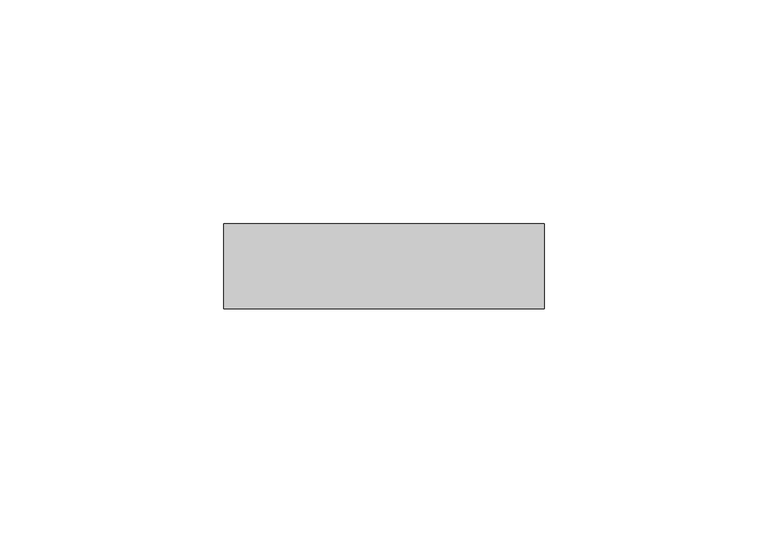
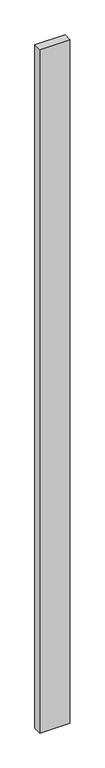
"""IFC4 building model written with IfcOpenShell, lengths in millimetres: plate geometry."""

from ifc_helpers import new_model, si_unit, origin, origin_with_axes, place, context, project, spatial, polyline, outline, extrude, source, transform, mapped, element, save


def plate_48862b0b(model_context):
    return source(origin(), model_context, "Body", "SweptSolid", [
        extrude(outline(polyline([(35.8840206, -9.525), (-35.8840206, -9.525), (-35.8840206, 9.525), (35.8840206, 9.525), (35.8840206, -9.525)])), origin_with_axes(), (0.0, 0.0, 1.0), 1708.8912252),
    ])


if __name__ == "__main__":
    model = new_model("IFC4")
    model_context = context("Model", 3, world=origin())
    ifc_project = project(units=[si_unit("LENGTHUNIT", "METRE", prefix="MILLI")], contexts=[model_context])
    site = spatial("IfcSite", under=ifc_project)
    building = spatial("IfcBuilding", under=site)
    placement = place(None, origin())
    plate_shape = plate_48862b0b(model_context)
    element("IfcPlate", 1, at=placement, inside=building, context=model_context, shape_type="MappedRepresentation", body=[
        mapped(plate_shape, transform((0.0, 0.0, 0.0), x_axis=(1.0, 0.0, 0.0), y_axis=(0.0, 1.0, 0.0), z_axis=(0.0, 0.0, 1.0))),
    ])
    save(model, "model.ifc")
